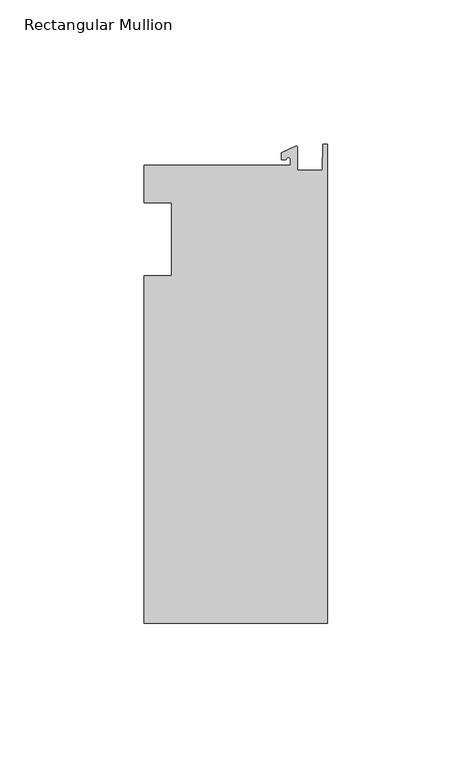
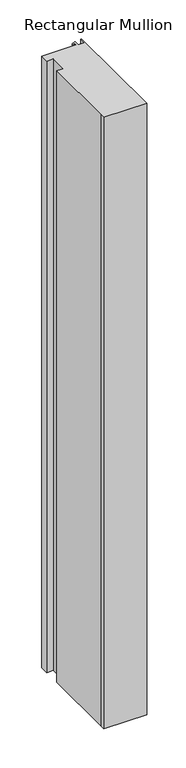
"""IFC4 building model written with IfcOpenShell, lengths in millimetres: member geometry, Rectangular Mullion."""

from ifc_helpers import new_model, si_unit, point, frame, frame_2d, origin, place, context, project, spatial, polyline, circle_curve, trimmed, segment, composite_curve, outline, extrude, source, transform, mapped, element, save


def rectangular_mullion_d1a7029d(model_context):
    return source(origin(), model_context, "Body", "SweptSolid", [
        extrude(outline(composite_curve([segment(polyline([(-12.8216721, 25.5984375), (-12.8216721, 27.5208534)]), True, "CONTINUOUS"), segment(trimmed(circle_curve(frame_2d((-13.6154221, 27.5208534)), 0.79375), [point((-12.8216721, 27.5208534))], [point((-14.4091721, 27.5208534))], True, "CARTESIAN"), True, "CONTINUOUS"), segment(polyline([(-14.4091721, 27.5208534), (-15.9966721, 27.5208534), (-15.9966721, 29.8830527), (-11.1567622, 32.1399398)]), True, "CONTINUOUS"), segment(trimmed(circle_curve(frame_2d((-10.9420721, 31.6795354)), 0.508), [point((-11.1567622, 32.1399398))], [point((-10.4340721, 31.6795354))], False, "CARTESIAN"), True, "CONTINUOUS"), segment(polyline([(-10.4340721, 31.6795354), (-10.4340721, 23.9227662), (-1.7144124, 23.9227662), (-1.5566453, 32.810012), (0.0, 32.810012), (0.0, -132.822512), (-63.5, -132.822512), (-63.5, -125.075512), (-63.5, -12.7), (-53.975, -12.7), (-53.975, 12.7), (-63.5, 12.7), (-63.5, 25.5984375), (-12.8216721, 25.5984375)]), True, "CONTINUOUS")], self_intersect=False)), frame((0.0, 0.0, -956.31635), z_axis=(0.0, 0.0, 1.0), x_axis=(1.0, 0.0, 0.0)), (0.0, 0.0, 1.0), 956.31635),
    ])


if __name__ == "__main__":
    model = new_model("IFC4")
    model_context = context("Model", 3, world=origin())
    ifc_project = project(units=[si_unit("LENGTHUNIT", "METRE", prefix="MILLI")], contexts=[model_context])
    site = spatial("IfcSite", under=ifc_project)
    building = spatial("IfcBuilding", under=site)
    placement = place(None, origin())
    rectangular_mullion_shape = rectangular_mullion_d1a7029d(model_context)
    element("IfcMember", 1, ObjectType="Rectangular Mullion", at=placement, inside=building, context=model_context, shape_type="MappedRepresentation", body=[
        mapped(rectangular_mullion_shape, transform((0.0, 0.0, 0.0), x_axis=(1.0, 0.0, 0.0), y_axis=(0.0, 1.0, 0.0), z_axis=(0.0, 0.0, 1.0))),
    ])
    save(model, "model.ifc")
